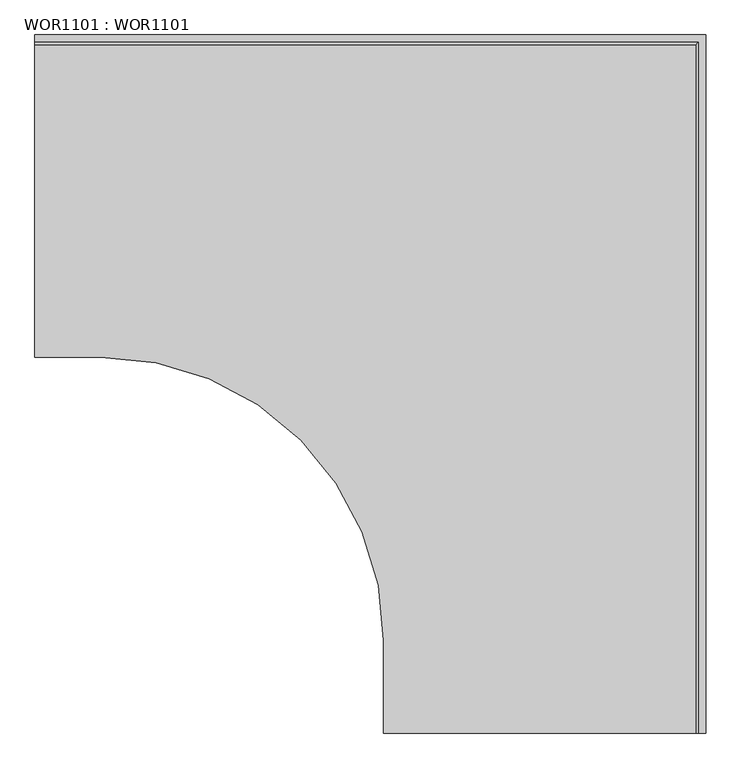
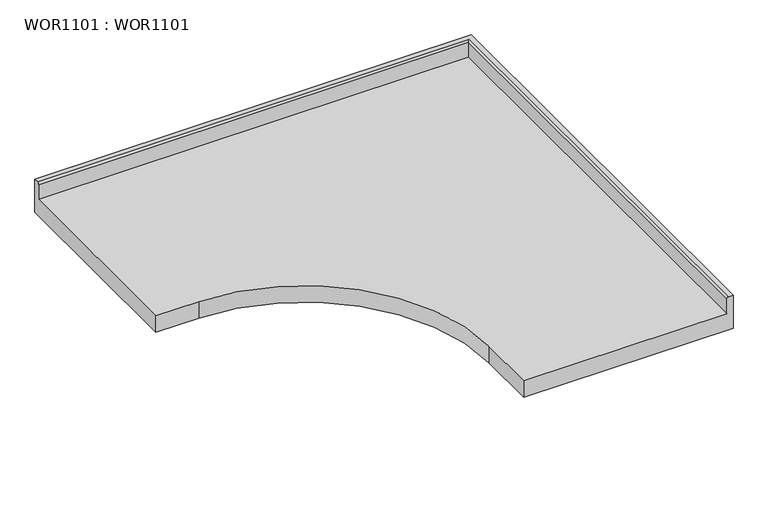
"""IFC4 building model written with IfcOpenShell, lengths in millimetres: proxy geometry, WOR1101 : WOR1101."""

import ifcopenshell
import ifcopenshell.guid

model = None  # the IFC model being written
_history = None  # IfcOwnerHistory: only IFC2X3 demands one
_inside = {}  # id of a spatial element -> (the spatial element, [elements in it])
_under = {}  # id of a project, library or spatial element -> (it, [spatial elements below it])
_declared = {}  # id of a project -> (the project, [libraries it declares])
_typed = {}  # id of a type object -> (the type object, [elements of that type])
_made_of = {}  # id of a material, layer set ... -> (it, [elements and type objects made of it])


def new_model(schema):
    """Start an empty IFC model of exactly this schema.

    Asked for "IFC4X3", IfcOpenShell would pick the latest addendum, in which some entities
    have other attributes; the version numbers below select the first issue.
    IFC2X3 requires an IfcOwnerHistory on every rooted entity: one is made here for all.
    """
    global model, _history
    if schema == "IFC4X3":
        model = ifcopenshell.file(schema_version=(4, 3, 0, 0))
    else:
        model = ifcopenshell.file(schema=schema)
    _inside.clear()
    _under.clear()
    _declared.clear()
    _typed.clear()
    _made_of.clear()
    _history = None
    if model.schema == "IFC2X3":
        org = make("IfcOrganization", Name="unknown")
        user = make(
            "IfcPersonAndOrganization",
            ThePerson=make("IfcPerson", FamilyName="unknown"),
            TheOrganization=org,
        )
        app = make(
            "IfcApplication",
            ApplicationDeveloper=org,
            Version="unknown",
            ApplicationFullName="unknown",
            ApplicationIdentifier="unknown",
        )
        _history = make(
            "IfcOwnerHistory",
            OwningUser=user,
            OwningApplication=app,
            ChangeAction="ADDED",
            CreationDate=0,
        )
    return model


def make(cls, **values):
    """One entity of the class cls with the attributes given. An attribute that is None is left unset."""
    return model.create_entity(
        cls, **{name: value for name, value in values.items() if value is not None}
    )


def rooted(cls, **values):
    """An entity with a GlobalId (a new one), such as an element, a storey or a relation."""
    return make(cls, GlobalId=ifcopenshell.guid.new(), OwnerHistory=_history, **values)


def si_unit(unit_type, name, prefix=None):
    """IfcSIUnit, for example si_unit("LENGTHUNIT", "METRE", prefix="MILLI")."""
    return make("IfcSIUnit", UnitType=unit_type, Prefix=prefix, Name=name)


def assignment(units):
    """IfcUnitAssignment: the units of a project."""
    return None if units is None else make("IfcUnitAssignment", Units=units)


def point(xyz):
    """IfcCartesianPoint."""
    return None if xyz is None else make("IfcCartesianPoint", Coordinates=xyz)


def direction(xyz):
    """IfcDirection."""
    return None if xyz is None else make("IfcDirection", DirectionRatios=xyz)


def frame(location, z_axis=None, x_axis=None):
    """IfcAxis2Placement3D, a coordinate frame: its origin and axes. An axis left out is left unset."""
    return make(
        "IfcAxis2Placement3D",
        Location=point(location),
        Axis=direction(z_axis),
        RefDirection=direction(x_axis),
    )


def origin():
    """The frame at (0, 0, 0) with its axes left unset."""
    return frame((0.0, 0.0, 0.0))


def place(relative_to, where):
    """IfcLocalPlacement: puts the frame where relative to a parent placement (None: the world)."""
    return make(
        "IfcLocalPlacement", PlacementRelTo=relative_to, RelativePlacement=where
    )


def context(
    kind, dimensions, precision=None, world=None, true_north=None, identifier=None
):
    """IfcGeometricRepresentationContext, for example the 3D "Model" context."""
    return make(
        "IfcGeometricRepresentationContext",
        ContextIdentifier=identifier,
        ContextType=kind,
        CoordinateSpaceDimension=dimensions,
        Precision=precision,
        WorldCoordinateSystem=world,
        TrueNorth=true_north,
    )


def project(units=None, contexts=None):
    """IfcProject with its units and contexts."""
    return rooted(
        "IfcProject",
        Name="project",
        RepresentationContexts=contexts,
        UnitsInContext=assignment(units),
    )


def spatial(cls, under=None, at=None, **own):
    """A site, building, storey or space (cls), placed at a placement, below another one or the project."""
    s = rooted(cls, ObjectPlacement=at, **own)
    if under is not None:
        _under.setdefault(under.id(), (under, []))[1].append(s)
    return s


def polyline(points):
    """IfcPolyline through the points."""
    return make("IfcPolyline", Points=[point(p) for p in points])


def circle_curve(where, radius):
    """IfcCircle in the frame where."""
    return make("IfcCircle", Position=where, Radius=radius)


def ellipse_curve(where, semi_axis1, semi_axis2):
    """IfcEllipse in the frame where."""
    return make(
        "IfcEllipse", Position=where, SemiAxis1=semi_axis1, SemiAxis2=semi_axis2
    )


def shape(context_of_items, identifier, shape_type, items):
    """IfcShapeRepresentation: the items that make up one representation, for example the "Body"."""
    return make(
        "IfcShapeRepresentation",
        ContextOfItems=context_of_items,
        RepresentationIdentifier=identifier,
        RepresentationType=shape_type,
        Items=items,
    )


def source(mapping_origin, context_of_items, identifier, shape_type, items):
    """IfcRepresentationMap: a shape defined once, which mapped items show again and again."""
    return make(
        "IfcRepresentationMap",
        MappingOrigin=mapping_origin,
        MappedRepresentation=shape(context_of_items, identifier, shape_type, items),
    )


def transform(
    local_origin,
    x_axis=None,
    y_axis=None,
    z_axis=None,
    scale=None,
    scale2=None,
    scale3=None,
    uniform=True,
):
    """IfcCartesianTransformationOperator3D, or its non-uniform kind. x_axis, y_axis, z_axis: its Axis1, 2, 3."""
    if uniform:
        return make(
            "IfcCartesianTransformationOperator3D",
            Axis1=direction(x_axis),
            Axis2=direction(y_axis),
            LocalOrigin=point(local_origin),
            Scale=scale,
            Axis3=direction(z_axis),
        )
    return make(
        "IfcCartesianTransformationOperator3DnonUniform",
        Axis1=direction(x_axis),
        Axis2=direction(y_axis),
        LocalOrigin=point(local_origin),
        Scale=scale,
        Axis3=direction(z_axis),
        Scale2=scale2,
        Scale3=scale3,
    )


def mapped(mapping_source, mapping_target):
    """IfcMappedItem: shows the shape of a source again, moved by a transform."""
    return make(
        "IfcMappedItem", MappingSource=mapping_source, MappingTarget=mapping_target
    )


def made_of(thing, what):
    """Note that an element or type object is made of a material, layer set ...; save() writes the relation."""
    if what is not None:
        _made_of.setdefault(what.id(), (what, []))[1].append(thing)
    return thing


def element(
    cls,
    number,
    at=None,
    inside=None,
    cuts=None,
    type_object=None,
    material=None,
    context=None,
    identifier="Body",
    shape_type=None,
    held_by="IfcProductDefinitionShape",
    body=None,
    shapes=None,
    **own,
):
    """One element of the class cls, such as IfcWall. Its Tag is "e" and its number.

    at: its placement. inside: the storey or other place that contains it. cuts: it is an
    opening in that element (IfcRelVoidsElement). A single representation is given by context,
    identifier, shape_type and body (its items); several are given by shapes. held_by: the class
    of the entity that holds the representations. save() writes the other relations.
    """
    e = rooted(cls, Tag="e%d" % number, ObjectPlacement=at, **own)
    if body is not None:
        shapes = [shape(context, identifier, shape_type, body)]
    if shapes is not None:
        e.Representation = make(held_by, Representations=shapes)
    if inside is not None:
        _inside.setdefault(inside.id(), (inside, []))[1].append(e)
    if cuts is not None:
        rooted(
            "IfcRelVoidsElement", RelatingBuildingElement=cuts, RelatedOpeningElement=e
        )
    if type_object is not None:
        _typed.setdefault(type_object.id(), (type_object, []))[1].append(e)
    return made_of(e, material)


def aggregate(whole, parts):
    """IfcRelAggregates: a whole, such as a stair, and the parts it consists of."""
    return rooted("IfcRelAggregates", RelatingObject=whole, RelatedObjects=parts)


def save(model, path):
    """Write the relations noted so far, then the file.

    IfcRelAggregates (storeys below a building ...), IfcRelContainedInSpatialStructure (elements
    in a storey), IfcRelDefinesByType, IfcRelAssociatesMaterial and IfcRelDeclares: one each for
    every whole, place, type object, material and project.
    """
    for whole, parts in _under.values():
        aggregate(whole, parts)
    for where, things in _inside.values():
        rooted(
            "IfcRelContainedInSpatialStructure",
            RelatedElements=things,
            RelatingStructure=where,
        )
    for kind, things in _typed.values():
        rooted("IfcRelDefinesByType", RelatedObjects=things, RelatingType=kind)
    for what, things in _made_of.values():
        rooted("IfcRelAssociatesMaterial", RelatedObjects=things, RelatingMaterial=what)
    for by, libraries in _declared.values():
        rooted("IfcRelDeclares", RelatingContext=by, RelatedDefinitions=libraries)
    model.write(path)


def plane_surface(at):
    """IfcPlane: the flat surface through the origin of the frame at, square to its z axis."""
    return make("IfcPlane", Position=at)


def cylinder_surface(at, radius):
    """IfcCylindricalSurface: all points at the distance radius from the z axis of the frame at."""
    return make("IfcCylindricalSurface", Position=at, Radius=radius)


def revolved_surface(curve, axis_point, axis_direction):
    """IfcSurfaceOfRevolution: the curve turned about the line through axis_point along axis_direction."""
    return make(
        "IfcSurfaceOfRevolution",
        SweptCurve=make("IfcArbitraryOpenProfileDef", ProfileType="CURVE", Curve=curve),
        AxisPosition=make("IfcAxis1Placement", Location=point(axis_point), Axis=direction(axis_direction)),
    )


def advanced_brep(points, edges, surfaces, faces):
    """IfcAdvancedBrep: a solid bounded by faces that lie on surfaces and meet in shared edges.

    An edge is (start, end): straight between two places in points (the first is 0);
    or (start, end, curve); or (start, end, curve, False) where it runs against its curve.
    A face is (place in surfaces, loops), or (place, loops, False) where it looks against
    its surface's normal. A loop lists edges by number (the first is 1), with a minus sign
    where the edge is run from its end to its start. The first loop is the outer one.
    """
    corners = [point(p) for p in points]
    vertices = [make("IfcVertexPoint", VertexGeometry=c) for c in corners]
    made = []
    for start, end, *more in edges:
        made.append(
            make(
                "IfcEdgeCurve",
                EdgeStart=vertices[start],
                EdgeEnd=vertices[end],
                EdgeGeometry=more[0] if more else make("IfcPolyline", Points=[corners[start], corners[end]]),
                SameSense=more[1] if len(more) > 1 else True,
            )
        )
    hull = []
    for where, loops, *sense in faces:
        bounds = []
        for j, loop in enumerate(loops):
            ring = [make("IfcOrientedEdge", EdgeElement=made[abs(k) - 1], Orientation=k > 0) for k in loop]
            bounds.append(
                make(
                    "IfcFaceOuterBound" if j == 0 else "IfcFaceBound",
                    Bound=make("IfcEdgeLoop", EdgeList=ring),
                    Orientation=True,
                )
            )
        hull.append(make("IfcAdvancedFace", Bounds=bounds, FaceSurface=surfaces[where], SameSense=sense[0] if sense else True))
    return make("IfcAdvancedBrep", Outer=make("IfcClosedShell", CfsFaces=hull))


def wor1101_wor1101_94d10610(model_context):
    return source(origin(), model_context, "Body", "AdvancedBrep", [
        advanced_brep(
        [(1250.0, 0.0, -50.0), (1250.0, -1300.0, -50.0), (650.0, -1300.0, -50.0), (650.0, -1127.3, -50.0), (122.7, -600.0, -50.0), (0.0, -600.0, -50.0), (0.0, 0.0, -50.0), (0.0, -600.0, 0.0), (122.7, -600.0, 0.0), (650.0, -1127.3, 0.0), (650.0, -1300.0, 0.0), (1232.0, -1300.0, 0.0), (1232.0, -18.0, 0.0), (0.0, -18.0, 0.0), (1250.0, -1300.0, 50.0), (1237.0, -1300.0, 50.0), (1232.0, -1300.0, 45.0), (1250.0, 0.0, 50.0), (0.0, 0.0, 50.0), (0.0, -13.0, 50.0), (1237.0, -13.0, 50.0), (1232.0, -18.0, 45.0), (0.0, -18.0, 45.0)],
        [
            (0, 1),
            (1, 2),
            (2, 3),
            (3, 4, circle_curve(frame((122.7, -1127.3, -50.0), z_axis=(0.0, 0.0, 1.0), x_axis=(1.0, 0.0, 0.0)), 527.3)),
            (4, 5),
            (5, 6),
            (6, 0),
            (7, 8),
            (8, 9, circle_curve(frame((122.7, -1127.3, 0.0), z_axis=(0.0, 0.0, -1.0), x_axis=(1.0, 0.0, 0.0)), 527.3)),
            (9, 10),
            (10, 11),
            (11, 12),
            (12, 13),
            (13, 7),
            (4, 8),
            (7, 5),
            (3, 9),
            (2, 10),
            (14, 15),
            (15, 16, circle_curve(frame((1237.0, -1300.0, 45.0), z_axis=(0.0, -1.0, 0.0), x_axis=(-1.0, 0.0, 0.0)), 5.0)),
            (16, 11),
            (1, 14),
            (0, 17),
            (17, 14),
            (17, 18),
            (18, 19),
            (19, 20),
            (20, 15),
            (20, 21, ellipse_curve(frame((1237.0, -13.0, 45.0), z_axis=(0.7071067811865475, -0.7071067811865475, 0.0), x_axis=(-0.7071067811865474, -0.7071067811865476, 0.0)), 7.0710678, 5.0)),
            (21, 16),
            (21, 12),
            (18, 6),
            (13, 22),
            (22, 19, circle_curve(frame((0.0, -13.0, 45.0), z_axis=(-1.0, 0.0, 0.0), x_axis=(0.0, -1.0, 0.0)), 5.0)),
            (22, 21),
        ],
        [
            plane_surface(frame((0.0, 0.0, -50.0), z_axis=(0.0, 0.0, -1.0), x_axis=(1.0, 0.0, 0.0))),
            plane_surface(frame((0.0, 0.0, 0.0), z_axis=(0.0, 0.0, 1.0), x_axis=(-1.0, 0.0, 0.0))),
            plane_surface(frame((0.0, -600.0, 0.0), z_axis=(0.0, -1.0, 0.0), x_axis=(0.0, 0.0, -1.0))),
            revolved_surface(polyline([(650.0, -1127.3, -50.0), (650.0, -1127.3, 0.0)]), (122.7, -1127.3, -50.0), (0.0, 0.0, -1.0)),
            plane_surface(frame((650.0, -1127.3, 0.0), z_axis=(-1.0, 0.0, 0.0), x_axis=(0.0, 0.0, -1.0))),
            plane_surface(frame((1250.0, -1300.0, 0.0), z_axis=(0.0, -1.0, 0.0), x_axis=(0.0, 0.0, 1.0))),
            plane_surface(frame((1250.0, -1300.0, 0.0), z_axis=(1.0, 0.0, 0.0), x_axis=(0.0, 1.0, 0.0))),
            plane_surface(frame((1250.0, -1300.0, 50.0), z_axis=(0.0, 0.0, 1.0), x_axis=(0.0, 1.0, 0.0))),
            cylinder_surface(frame((1237.0, -1300.0, 45.0), z_axis=(0.0, -1.0, 0.0), x_axis=(-1.0, 0.0, 0.0)), 5.0),
            plane_surface(frame((1232.0, -1300.0, 45.0), z_axis=(-1.0, 0.0, 0.0), x_axis=(0.0, 1.0, 0.0))),
            plane_surface(frame((0.0, 0.0, 0.0), z_axis=(-1.0, 0.0, 0.0), x_axis=(0.0, 0.0, 1.0))),
            plane_surface(frame((1250.0, 0.0, 0.0), z_axis=(0.0, 1.0, 0.0), x_axis=(-1.0, 0.0, 0.0))),
            cylinder_surface(frame((1250.0, -13.0, 45.0), z_axis=(1.0, 0.0, 0.0), x_axis=(0.0, -1.0, 0.0)), 5.0),
            plane_surface(frame((1232.0, -18.0, 45.0), z_axis=(0.0, -1.0, 0.0), x_axis=(-1.0, 0.0, 0.0))),
        ],
        [
            (0, [[1, 2, 3, 4, 5, 6, 7]]),
            (1, [[8, 9, 10, 11, 12, 13, 14]]),
            (2, [[-5, 15, -8, 16]]),
            (3, [[-4, 17, -9, -15]]),
            (4, [[-3, 18, -10, -17]]),
            (5, [[19, 20, 21, -11, -18, -2, 22]]),
            (6, [[-22, -1, 23, 24]]),
            (7, [[-19, -24, 25, 26, 27, 28]]),
            (8, [[-20, -28, 29, 30]]),
            (9, [[-21, -30, 31, -12]]),
            (10, [[-26, 32, -6, -16, -14, 33, 34]]),
            (11, [[-23, -7, -32, -25]]),
            (12, [[-27, -34, 35, -29]]),
            (13, [[-31, -35, -33, -13]]),
        ],
    ),
    ])


if __name__ == "__main__":
    model = new_model("IFC4")
    model_context = context("Model", 3, world=origin())
    ifc_project = project(units=[si_unit("LENGTHUNIT", "METRE", prefix="MILLI")], contexts=[model_context])
    site = spatial("IfcSite", under=ifc_project)
    building = spatial("IfcBuilding", under=site)
    placement = place(None, origin())
    wor1101_wor1101_shape = wor1101_wor1101_94d10610(model_context)
    element("IfcBuildingElementProxy", 1, Name="WOR1101 : WOR1101", ObjectType="WOR1101 : WOR1101", at=placement, inside=building, context=model_context, shape_type="MappedRepresentation", body=[
        mapped(wor1101_wor1101_shape, transform((0.0, 0.0, 0.0), x_axis=(1.0, 0.0, 0.0), y_axis=(0.0, 1.0, 0.0), z_axis=(0.0, 0.0, 1.0))),
    ])
    save(model, "model.ifc")
